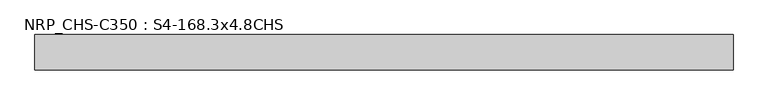
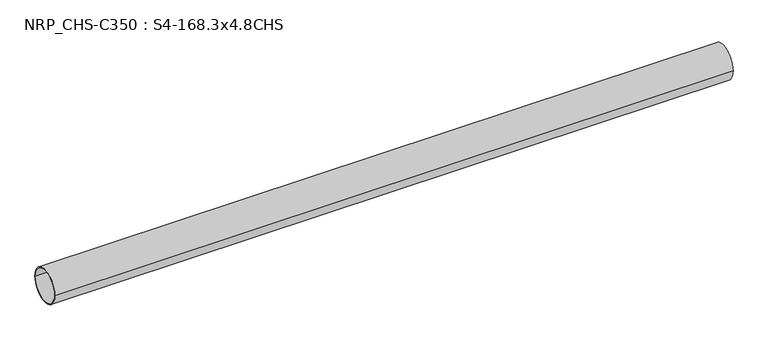
"""IFC4 building model written with IfcOpenShell, lengths in millimetres: beam geometry, NRP_CHS-C350 : S4-168.3x4.8CHS."""

from ifc_helpers import new_model, si_unit, point, frame, origin, origin_2d, place, context, project, spatial, circle_curve, trimmed, segment, composite_curve, outline, extrude, source, transform, mapped, element, save


def nrp_chs_c350_s4_168_3x4_8chs_09ffeeed(model_context):
    return source(origin(), model_context, "Body", "SweptSolid", [
        extrude(outline(composite_curve([segment(trimmed(circle_curve(origin_2d(), 84.15), [point((84.15, 0.0))], [point((-84.15, 0.0))], False, "CARTESIAN"), True, "CONTINUOUS"), segment(trimmed(circle_curve(origin_2d(), 84.15), [point((-84.15, 0.0))], [point((84.15, 0.0))], False, "CARTESIAN"), True, "CONTINUOUS")], self_intersect=False), holes=[composite_curve([segment(trimmed(circle_curve(origin_2d(), 79.35), [point((-79.35, 0.0))], [point((79.35, 0.0))], True, "CARTESIAN"), True, "CONTINUOUS"), segment(trimmed(circle_curve(origin_2d(), 79.35), [point((79.35, 0.0))], [point((-79.35, 0.0))], True, "CARTESIAN"), True, "CONTINUOUS")], self_intersect=False)]), frame((-1673.6, 0.0, 0.0), z_axis=(1.0, 0.0, 0.0), x_axis=(0.0, 1.0, 0.0)), (0.0, 0.0, 1.0), 3312.5),
    ])


if __name__ == "__main__":
    model = new_model("IFC4")
    model_context = context("Model", 3, world=origin())
    ifc_project = project(units=[si_unit("LENGTHUNIT", "METRE", prefix="MILLI")], contexts=[model_context])
    site = spatial("IfcSite", under=ifc_project)
    building = spatial("IfcBuilding", under=site)
    placement = place(None, origin())
    nrp_chs_c350_s4_168_3x4_8chs_shape = nrp_chs_c350_s4_168_3x4_8chs_09ffeeed(model_context)
    element("IfcBeam", 1, ObjectType="NRP_CHS-C350 : S4-168.3x4.8CHS", at=placement, inside=building, context=model_context, shape_type="MappedRepresentation", body=[
        mapped(nrp_chs_c350_s4_168_3x4_8chs_shape, transform((0.0, 0.0, 0.0), x_axis=(1.0, 0.0, 0.0), y_axis=(0.0, 1.0, 0.0), z_axis=(0.0, 0.0, 1.0))),
    ])
    save(model, "model.ifc")
